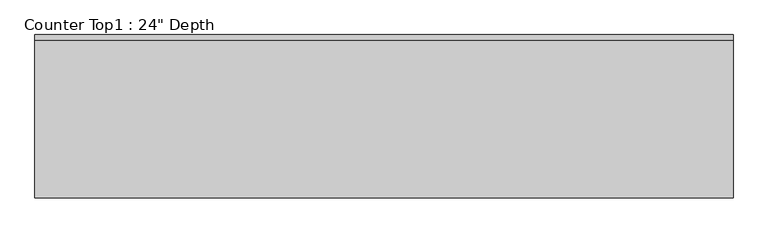
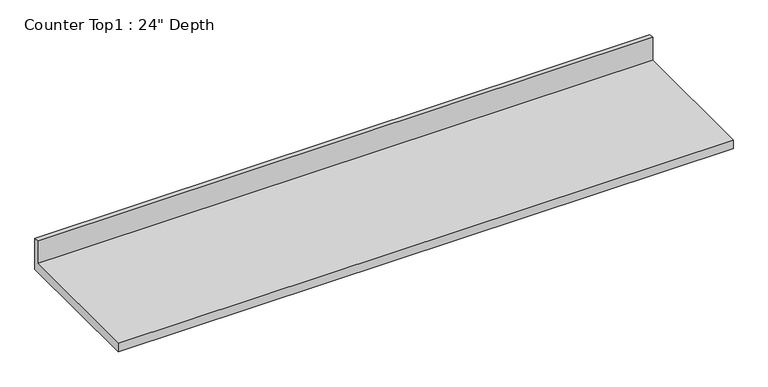
"""IFC4 building model written with IfcOpenShell, lengths in millimetres: furniture geometry."""

import ifcopenshell
import ifcopenshell.guid

model = None  # the IFC model being written
_history = None  # IfcOwnerHistory: only IFC2X3 demands one
_inside = {}  # id of a spatial element -> (the spatial element, [elements in it])
_under = {}  # id of a project, library or spatial element -> (it, [spatial elements below it])
_declared = {}  # id of a project -> (the project, [libraries it declares])
_typed = {}  # id of a type object -> (the type object, [elements of that type])
_made_of = {}  # id of a material, layer set ... -> (it, [elements and type objects made of it])


def new_model(schema):
    """Start an empty IFC model of exactly this schema.

    Asked for "IFC4X3", IfcOpenShell would pick the latest addendum, in which some entities
    have other attributes; the version numbers below select the first issue.
    IFC2X3 requires an IfcOwnerHistory on every rooted entity: one is made here for all.
    """
    global model, _history
    if schema == "IFC4X3":
        model = ifcopenshell.file(schema_version=(4, 3, 0, 0))
    else:
        model = ifcopenshell.file(schema=schema)
    _inside.clear()
    _under.clear()
    _declared.clear()
    _typed.clear()
    _made_of.clear()
    _history = None
    if model.schema == "IFC2X3":
        org = make("IfcOrganization", Name="unknown")
        user = make(
            "IfcPersonAndOrganization",
            ThePerson=make("IfcPerson", FamilyName="unknown"),
            TheOrganization=org,
        )
        app = make(
            "IfcApplication",
            ApplicationDeveloper=org,
            Version="unknown",
            ApplicationFullName="unknown",
            ApplicationIdentifier="unknown",
        )
        _history = make(
            "IfcOwnerHistory",
            OwningUser=user,
            OwningApplication=app,
            ChangeAction="ADDED",
            CreationDate=0,
        )
    return model


def make(cls, **values):
    """One entity of the class cls with the attributes given. An attribute that is None is left unset."""
    return model.create_entity(
        cls, **{name: value for name, value in values.items() if value is not None}
    )


def rooted(cls, **values):
    """An entity with a GlobalId (a new one), such as an element, a storey or a relation."""
    return make(cls, GlobalId=ifcopenshell.guid.new(), OwnerHistory=_history, **values)


def si_unit(unit_type, name, prefix=None):
    """IfcSIUnit, for example si_unit("LENGTHUNIT", "METRE", prefix="MILLI")."""
    return make("IfcSIUnit", UnitType=unit_type, Prefix=prefix, Name=name)


def assignment(units):
    """IfcUnitAssignment: the units of a project."""
    return None if units is None else make("IfcUnitAssignment", Units=units)


def point(xyz):
    """IfcCartesianPoint."""
    return None if xyz is None else make("IfcCartesianPoint", Coordinates=xyz)


def direction(xyz):
    """IfcDirection."""
    return None if xyz is None else make("IfcDirection", DirectionRatios=xyz)


def frame(location, z_axis=None, x_axis=None):
    """IfcAxis2Placement3D, a coordinate frame: its origin and axes. An axis left out is left unset."""
    return make(
        "IfcAxis2Placement3D",
        Location=point(location),
        Axis=direction(z_axis),
        RefDirection=direction(x_axis),
    )


def origin():
    """The frame at (0, 0, 0) with its axes left unset."""
    return frame((0.0, 0.0, 0.0))


def place(relative_to, where):
    """IfcLocalPlacement: puts the frame where relative to a parent placement (None: the world)."""
    return make(
        "IfcLocalPlacement", PlacementRelTo=relative_to, RelativePlacement=where
    )


def context(
    kind, dimensions, precision=None, world=None, true_north=None, identifier=None
):
    """IfcGeometricRepresentationContext, for example the 3D "Model" context."""
    return make(
        "IfcGeometricRepresentationContext",
        ContextIdentifier=identifier,
        ContextType=kind,
        CoordinateSpaceDimension=dimensions,
        Precision=precision,
        WorldCoordinateSystem=world,
        TrueNorth=true_north,
    )


def project(units=None, contexts=None):
    """IfcProject with its units and contexts."""
    return rooted(
        "IfcProject",
        Name="project",
        RepresentationContexts=contexts,
        UnitsInContext=assignment(units),
    )


def spatial(cls, under=None, at=None, **own):
    """A site, building, storey or space (cls), placed at a placement, below another one or the project."""
    s = rooted(cls, ObjectPlacement=at, **own)
    if under is not None:
        _under.setdefault(under.id(), (under, []))[1].append(s)
    return s


def polyline(points):
    """IfcPolyline through the points."""
    return make("IfcPolyline", Points=[point(p) for p in points])


def outline(outer, holes=None, kind="AREA"):
    """IfcArbitraryClosedProfileDef: a profile drawn as a closed curve; with holes, ...WithVoids."""
    if holes is None:
        return make("IfcArbitraryClosedProfileDef", ProfileType=kind, OuterCurve=outer)
    return make(
        "IfcArbitraryProfileDefWithVoids",
        ProfileType=kind,
        OuterCurve=outer,
        InnerCurves=holes,
    )


def extrude(swept, where, along, depth):
    """IfcExtrudedAreaSolid: the profile swept, set in the frame where, extruded along a direction by depth."""
    return make(
        "IfcExtrudedAreaSolid",
        SweptArea=swept,
        Position=where,
        ExtrudedDirection=direction(along),
        Depth=depth,
    )


def shape(context_of_items, identifier, shape_type, items):
    """IfcShapeRepresentation: the items that make up one representation, for example the "Body"."""
    return make(
        "IfcShapeRepresentation",
        ContextOfItems=context_of_items,
        RepresentationIdentifier=identifier,
        RepresentationType=shape_type,
        Items=items,
    )


def source(mapping_origin, context_of_items, identifier, shape_type, items):
    """IfcRepresentationMap: a shape defined once, which mapped items show again and again."""
    return make(
        "IfcRepresentationMap",
        MappingOrigin=mapping_origin,
        MappedRepresentation=shape(context_of_items, identifier, shape_type, items),
    )


def transform(
    local_origin,
    x_axis=None,
    y_axis=None,
    z_axis=None,
    scale=None,
    scale2=None,
    scale3=None,
    uniform=True,
):
    """IfcCartesianTransformationOperator3D, or its non-uniform kind. x_axis, y_axis, z_axis: its Axis1, 2, 3."""
    if uniform:
        return make(
            "IfcCartesianTransformationOperator3D",
            Axis1=direction(x_axis),
            Axis2=direction(y_axis),
            LocalOrigin=point(local_origin),
            Scale=scale,
            Axis3=direction(z_axis),
        )
    return make(
        "IfcCartesianTransformationOperator3DnonUniform",
        Axis1=direction(x_axis),
        Axis2=direction(y_axis),
        LocalOrigin=point(local_origin),
        Scale=scale,
        Axis3=direction(z_axis),
        Scale2=scale2,
        Scale3=scale3,
    )


def mapped(mapping_source, mapping_target):
    """IfcMappedItem: shows the shape of a source again, moved by a transform."""
    return make(
        "IfcMappedItem", MappingSource=mapping_source, MappingTarget=mapping_target
    )


def made_of(thing, what):
    """Note that an element or type object is made of a material, layer set ...; save() writes the relation."""
    if what is not None:
        _made_of.setdefault(what.id(), (what, []))[1].append(thing)
    return thing


def element(
    cls,
    number,
    at=None,
    inside=None,
    cuts=None,
    type_object=None,
    material=None,
    context=None,
    identifier="Body",
    shape_type=None,
    held_by="IfcProductDefinitionShape",
    body=None,
    shapes=None,
    **own,
):
    """One element of the class cls, such as IfcWall. Its Tag is "e" and its number.

    at: its placement. inside: the storey or other place that contains it. cuts: it is an
    opening in that element (IfcRelVoidsElement). A single representation is given by context,
    identifier, shape_type and body (its items); several are given by shapes. held_by: the class
    of the entity that holds the representations. save() writes the other relations.
    """
    e = rooted(cls, Tag="e%d" % number, ObjectPlacement=at, **own)
    if body is not None:
        shapes = [shape(context, identifier, shape_type, body)]
    if shapes is not None:
        e.Representation = make(held_by, Representations=shapes)
    if inside is not None:
        _inside.setdefault(inside.id(), (inside, []))[1].append(e)
    if cuts is not None:
        rooted(
            "IfcRelVoidsElement", RelatingBuildingElement=cuts, RelatedOpeningElement=e
        )
    if type_object is not None:
        _typed.setdefault(type_object.id(), (type_object, []))[1].append(e)
    return made_of(e, material)


def aggregate(whole, parts):
    """IfcRelAggregates: a whole, such as a stair, and the parts it consists of."""
    return rooted("IfcRelAggregates", RelatingObject=whole, RelatedObjects=parts)


def save(model, path):
    """Write the relations noted so far, then the file.

    IfcRelAggregates (storeys below a building ...), IfcRelContainedInSpatialStructure (elements
    in a storey), IfcRelDefinesByType, IfcRelAssociatesMaterial and IfcRelDeclares: one each for
    every whole, place, type object, material and project.
    """
    for whole, parts in _under.values():
        aggregate(whole, parts)
    for where, things in _inside.values():
        rooted(
            "IfcRelContainedInSpatialStructure",
            RelatedElements=things,
            RelatingStructure=where,
        )
    for kind, things in _typed.values():
        rooted("IfcRelDefinesByType", RelatedObjects=things, RelatingType=kind)
    for what, things in _made_of.values():
        rooted("IfcRelAssociatesMaterial", RelatedObjects=things, RelatingMaterial=what)
    for by, libraries in _declared.values():
        rooted("IfcRelDeclares", RelatingContext=by, RelatedDefinitions=libraries)
    model.write(path)


def furniture_f45d45fd(model_context):
    return source(origin(), model_context, "Body", "SweptSolid", [
        extrude(outline(polyline([(0.0, 1016.0), (0.0, 876.3), (-609.6, 876.3), (-609.6, 914.4), (-19.05, 914.4), (-19.05, 1016.0), (0.0, 1016.0)])), frame((-1200.4622951, 0.0, 0.0), z_axis=(1.0, 0.0, 0.0), x_axis=(0.0, 1.0, 0.0)), (0.0, 0.0, 1.0), 2603.5907529),
    ])


if __name__ == "__main__":
    model = new_model("IFC4")
    model_context = context("Model", 3, world=origin())
    ifc_project = project(units=[si_unit("LENGTHUNIT", "METRE", prefix="MILLI")], contexts=[model_context])
    site = spatial("IfcSite", under=ifc_project)
    building = spatial("IfcBuilding", under=site)
    placement = place(None, origin())
    furniture_shape = furniture_f45d45fd(model_context)
    element("IfcFurniture", 1, ObjectType="Counter Top1 : 24\" Depth", at=placement, inside=building, context=model_context, shape_type="MappedRepresentation", body=[
        mapped(furniture_shape, transform((0.0, 0.0, 0.0), x_axis=(1.0, 0.0, 0.0), y_axis=(0.0, 1.0, 0.0), z_axis=(0.0, 0.0, 1.0))),
    ])
    save(model, "model.ifc")
